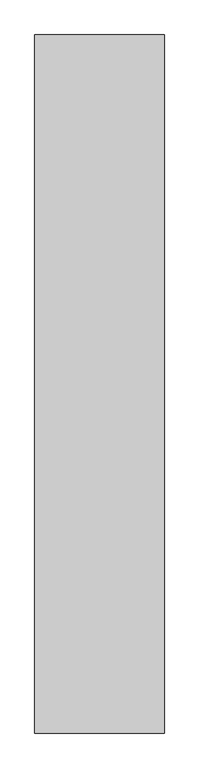
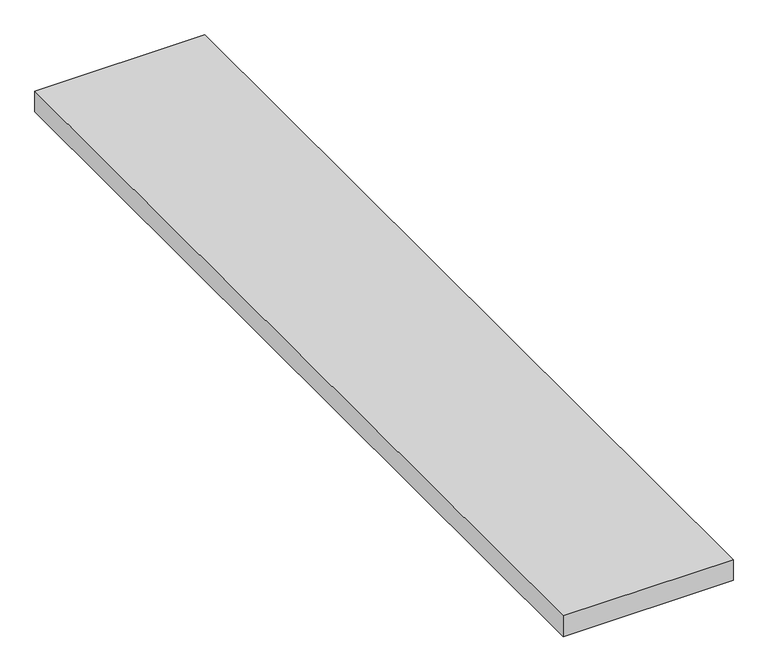
"""IFC4 building model written with IfcOpenShell, lengths in millimetres: proxy geometry."""

import ifcopenshell
import ifcopenshell.guid

model = None  # the IFC model being written
_history = None  # IfcOwnerHistory: only IFC2X3 demands one
_inside = {}  # id of a spatial element -> (the spatial element, [elements in it])
_under = {}  # id of a project, library or spatial element -> (it, [spatial elements below it])
_declared = {}  # id of a project -> (the project, [libraries it declares])
_typed = {}  # id of a type object -> (the type object, [elements of that type])
_made_of = {}  # id of a material, layer set ... -> (it, [elements and type objects made of it])


def new_model(schema):
    """Start an empty IFC model of exactly this schema.

    Asked for "IFC4X3", IfcOpenShell would pick the latest addendum, in which some entities
    have other attributes; the version numbers below select the first issue.
    IFC2X3 requires an IfcOwnerHistory on every rooted entity: one is made here for all.
    """
    global model, _history
    if schema == "IFC4X3":
        model = ifcopenshell.file(schema_version=(4, 3, 0, 0))
    else:
        model = ifcopenshell.file(schema=schema)
    _inside.clear()
    _under.clear()
    _declared.clear()
    _typed.clear()
    _made_of.clear()
    _history = None
    if model.schema == "IFC2X3":
        org = make("IfcOrganization", Name="unknown")
        user = make(
            "IfcPersonAndOrganization",
            ThePerson=make("IfcPerson", FamilyName="unknown"),
            TheOrganization=org,
        )
        app = make(
            "IfcApplication",
            ApplicationDeveloper=org,
            Version="unknown",
            ApplicationFullName="unknown",
            ApplicationIdentifier="unknown",
        )
        _history = make(
            "IfcOwnerHistory",
            OwningUser=user,
            OwningApplication=app,
            ChangeAction="ADDED",
            CreationDate=0,
        )
    return model


def make(cls, **values):
    """One entity of the class cls with the attributes given. An attribute that is None is left unset."""
    return model.create_entity(
        cls, **{name: value for name, value in values.items() if value is not None}
    )


def rooted(cls, **values):
    """An entity with a GlobalId (a new one), such as an element, a storey or a relation."""
    return make(cls, GlobalId=ifcopenshell.guid.new(), OwnerHistory=_history, **values)


def si_unit(unit_type, name, prefix=None):
    """IfcSIUnit, for example si_unit("LENGTHUNIT", "METRE", prefix="MILLI")."""
    return make("IfcSIUnit", UnitType=unit_type, Prefix=prefix, Name=name)


def assignment(units):
    """IfcUnitAssignment: the units of a project."""
    return None if units is None else make("IfcUnitAssignment", Units=units)


def point(xyz):
    """IfcCartesianPoint."""
    return None if xyz is None else make("IfcCartesianPoint", Coordinates=xyz)


def direction(xyz):
    """IfcDirection."""
    return None if xyz is None else make("IfcDirection", DirectionRatios=xyz)


def frame(location, z_axis=None, x_axis=None):
    """IfcAxis2Placement3D, a coordinate frame: its origin and axes. An axis left out is left unset."""
    return make(
        "IfcAxis2Placement3D",
        Location=point(location),
        Axis=direction(z_axis),
        RefDirection=direction(x_axis),
    )


def origin():
    """The frame at (0, 0, 0) with its axes left unset."""
    return frame((0.0, 0.0, 0.0))


def origin_with_axes():
    """The frame at (0, 0, 0) with the z axis (0, 0, 1) and the x axis (1, 0, 0) written out."""
    return frame((0.0, 0.0, 0.0), z_axis=(0.0, 0.0, 1.0), x_axis=(1.0, 0.0, 0.0))


def place(relative_to, where):
    """IfcLocalPlacement: puts the frame where relative to a parent placement (None: the world)."""
    return make(
        "IfcLocalPlacement", PlacementRelTo=relative_to, RelativePlacement=where
    )


def context(
    kind, dimensions, precision=None, world=None, true_north=None, identifier=None
):
    """IfcGeometricRepresentationContext, for example the 3D "Model" context."""
    return make(
        "IfcGeometricRepresentationContext",
        ContextIdentifier=identifier,
        ContextType=kind,
        CoordinateSpaceDimension=dimensions,
        Precision=precision,
        WorldCoordinateSystem=world,
        TrueNorth=true_north,
    )


def project(units=None, contexts=None):
    """IfcProject with its units and contexts."""
    return rooted(
        "IfcProject",
        Name="project",
        RepresentationContexts=contexts,
        UnitsInContext=assignment(units),
    )


def spatial(cls, under=None, at=None, **own):
    """A site, building, storey or space (cls), placed at a placement, below another one or the project."""
    s = rooted(cls, ObjectPlacement=at, **own)
    if under is not None:
        _under.setdefault(under.id(), (under, []))[1].append(s)
    return s


def polyline(points):
    """IfcPolyline through the points."""
    return make("IfcPolyline", Points=[point(p) for p in points])


def outline(outer, holes=None, kind="AREA"):
    """IfcArbitraryClosedProfileDef: a profile drawn as a closed curve; with holes, ...WithVoids."""
    if holes is None:
        return make("IfcArbitraryClosedProfileDef", ProfileType=kind, OuterCurve=outer)
    return make(
        "IfcArbitraryProfileDefWithVoids",
        ProfileType=kind,
        OuterCurve=outer,
        InnerCurves=holes,
    )


def extrude(swept, where, along, depth):
    """IfcExtrudedAreaSolid: the profile swept, set in the frame where, extruded along a direction by depth."""
    return make(
        "IfcExtrudedAreaSolid",
        SweptArea=swept,
        Position=where,
        ExtrudedDirection=direction(along),
        Depth=depth,
    )


def shape(context_of_items, identifier, shape_type, items):
    """IfcShapeRepresentation: the items that make up one representation, for example the "Body"."""
    return make(
        "IfcShapeRepresentation",
        ContextOfItems=context_of_items,
        RepresentationIdentifier=identifier,
        RepresentationType=shape_type,
        Items=items,
    )


def source(mapping_origin, context_of_items, identifier, shape_type, items):
    """IfcRepresentationMap: a shape defined once, which mapped items show again and again."""
    return make(
        "IfcRepresentationMap",
        MappingOrigin=mapping_origin,
        MappedRepresentation=shape(context_of_items, identifier, shape_type, items),
    )


def transform(
    local_origin,
    x_axis=None,
    y_axis=None,
    z_axis=None,
    scale=None,
    scale2=None,
    scale3=None,
    uniform=True,
):
    """IfcCartesianTransformationOperator3D, or its non-uniform kind. x_axis, y_axis, z_axis: its Axis1, 2, 3."""
    if uniform:
        return make(
            "IfcCartesianTransformationOperator3D",
            Axis1=direction(x_axis),
            Axis2=direction(y_axis),
            LocalOrigin=point(local_origin),
            Scale=scale,
            Axis3=direction(z_axis),
        )
    return make(
        "IfcCartesianTransformationOperator3DnonUniform",
        Axis1=direction(x_axis),
        Axis2=direction(y_axis),
        LocalOrigin=point(local_origin),
        Scale=scale,
        Axis3=direction(z_axis),
        Scale2=scale2,
        Scale3=scale3,
    )


def mapped(mapping_source, mapping_target):
    """IfcMappedItem: shows the shape of a source again, moved by a transform."""
    return make(
        "IfcMappedItem", MappingSource=mapping_source, MappingTarget=mapping_target
    )


def made_of(thing, what):
    """Note that an element or type object is made of a material, layer set ...; save() writes the relation."""
    if what is not None:
        _made_of.setdefault(what.id(), (what, []))[1].append(thing)
    return thing


def element(
    cls,
    number,
    at=None,
    inside=None,
    cuts=None,
    type_object=None,
    material=None,
    context=None,
    identifier="Body",
    shape_type=None,
    held_by="IfcProductDefinitionShape",
    body=None,
    shapes=None,
    **own,
):
    """One element of the class cls, such as IfcWall. Its Tag is "e" and its number.

    at: its placement. inside: the storey or other place that contains it. cuts: it is an
    opening in that element (IfcRelVoidsElement). A single representation is given by context,
    identifier, shape_type and body (its items); several are given by shapes. held_by: the class
    of the entity that holds the representations. save() writes the other relations.
    """
    e = rooted(cls, Tag="e%d" % number, ObjectPlacement=at, **own)
    if body is not None:
        shapes = [shape(context, identifier, shape_type, body)]
    if shapes is not None:
        e.Representation = make(held_by, Representations=shapes)
    if inside is not None:
        _inside.setdefault(inside.id(), (inside, []))[1].append(e)
    if cuts is not None:
        rooted(
            "IfcRelVoidsElement", RelatingBuildingElement=cuts, RelatedOpeningElement=e
        )
    if type_object is not None:
        _typed.setdefault(type_object.id(), (type_object, []))[1].append(e)
    return made_of(e, material)


def aggregate(whole, parts):
    """IfcRelAggregates: a whole, such as a stair, and the parts it consists of."""
    return rooted("IfcRelAggregates", RelatingObject=whole, RelatedObjects=parts)


def save(model, path):
    """Write the relations noted so far, then the file.

    IfcRelAggregates (storeys below a building ...), IfcRelContainedInSpatialStructure (elements
    in a storey), IfcRelDefinesByType, IfcRelAssociatesMaterial and IfcRelDeclares: one each for
    every whole, place, type object, material and project.
    """
    for whole, parts in _under.values():
        aggregate(whole, parts)
    for where, things in _inside.values():
        rooted(
            "IfcRelContainedInSpatialStructure",
            RelatedElements=things,
            RelatingStructure=where,
        )
    for kind, things in _typed.values():
        rooted("IfcRelDefinesByType", RelatedObjects=things, RelatingType=kind)
    for what, things in _made_of.values():
        rooted("IfcRelAssociatesMaterial", RelatedObjects=things, RelatingMaterial=what)
    for by, libraries in _declared.values():
        rooted("IfcRelDeclares", RelatingContext=by, RelatedDefinitions=libraries)
    model.write(path)


def generic_models_098baaf6(model_context):
    return source(origin(), model_context, "Body", "SweptSolid", [
        extrude(outline(polyline([(0.0, 7000.0), (0.0, 0.0), (-1300.0, 0.0), (-1300.0, 7000.0), (0.0, 7000.0)])), origin_with_axes(), (0.0, 0.0, 1.0), 166.6666667),
    ])


if __name__ == "__main__":
    model = new_model("IFC4")
    model_context = context("Model", 3, world=origin())
    ifc_project = project(units=[si_unit("LENGTHUNIT", "METRE", prefix="MILLI")], contexts=[model_context])
    site = spatial("IfcSite", under=ifc_project)
    building = spatial("IfcBuilding", under=site)
    placement = place(None, origin())
    generic_models_shape = generic_models_098baaf6(model_context)
    element("IfcBuildingElementProxy", 1, Name="Generic Models", at=placement, inside=building, context=model_context, shape_type="MappedRepresentation", body=[
        mapped(generic_models_shape, transform((0.0, 0.0, 0.0), x_axis=(1.0, 0.0, 0.0), y_axis=(0.0, 1.0, 0.0), z_axis=(0.0, 0.0, 1.0))),
    ])
    save(model, "model.ifc")
